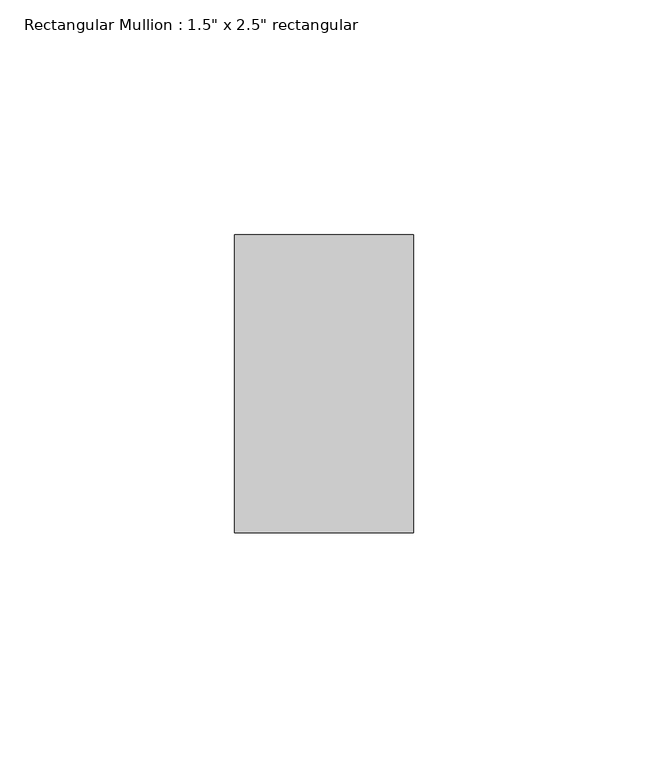
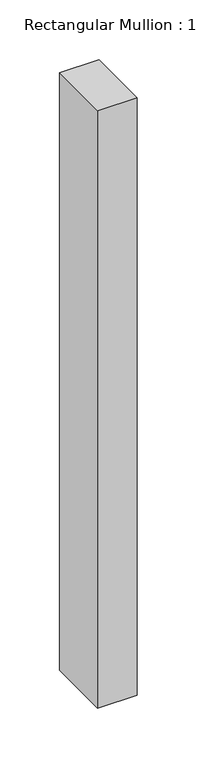
"""IFC4 building model written with IfcOpenShell, lengths in millimetres: member geometry."""

from ifc_helpers import new_model, si_unit, frame, origin, place, context, project, spatial, polyline, outline, extrude, source, transform, mapped, element, save


def member_ee16dc7c(model_context):
    return source(origin(), model_context, "Body", "SweptSolid", [
        extrude(outline(polyline([(0.0, 31.75), (0.0, -31.75), (-38.1, -31.75), (-38.1, 31.75), (0.0, 31.75)])), frame((0.0, 0.0, -609.6), z_axis=(0.0, 0.0, 1.0), x_axis=(1.0, 0.0, 0.0)), (0.0, 0.0, 1.0), 609.6),
    ])


if __name__ == "__main__":
    model = new_model("IFC4")
    model_context = context("Model", 3, world=origin())
    ifc_project = project(units=[si_unit("LENGTHUNIT", "METRE", prefix="MILLI")], contexts=[model_context])
    site = spatial("IfcSite", under=ifc_project)
    building = spatial("IfcBuilding", under=site)
    placement = place(None, origin())
    member_shape = member_ee16dc7c(model_context)
    element("IfcMember", 1, ObjectType="Rectangular Mullion : 1.5\" x 2.5\" rectangular", at=placement, inside=building, context=model_context, shape_type="MappedRepresentation", body=[
        mapped(member_shape, transform((0.0, 0.0, 0.0), x_axis=(1.0, 0.0, 0.0), y_axis=(0.0, 1.0, 0.0), z_axis=(0.0, 0.0, 1.0))),
    ])
    save(model, "model.ifc")
